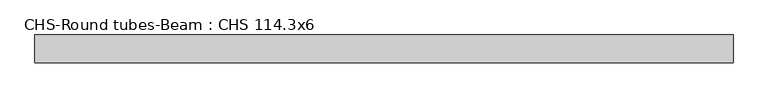
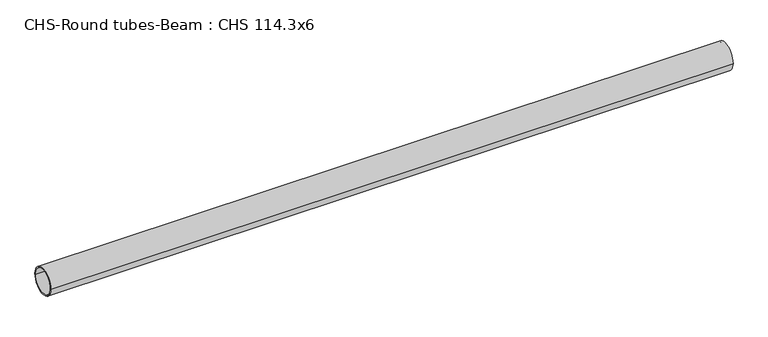
"""IFC4 building model written with IfcOpenShell, lengths in millimetres: beam geometry, CHS-Round tubes-Beam : CHS 114.3x6."""

import ifcopenshell
import ifcopenshell.guid

model = None  # the IFC model being written
_history = None  # IfcOwnerHistory: only IFC2X3 demands one
_inside = {}  # id of a spatial element -> (the spatial element, [elements in it])
_under = {}  # id of a project, library or spatial element -> (it, [spatial elements below it])
_declared = {}  # id of a project -> (the project, [libraries it declares])
_typed = {}  # id of a type object -> (the type object, [elements of that type])
_made_of = {}  # id of a material, layer set ... -> (it, [elements and type objects made of it])


def new_model(schema):
    """Start an empty IFC model of exactly this schema.

    Asked for "IFC4X3", IfcOpenShell would pick the latest addendum, in which some entities
    have other attributes; the version numbers below select the first issue.
    IFC2X3 requires an IfcOwnerHistory on every rooted entity: one is made here for all.
    """
    global model, _history
    if schema == "IFC4X3":
        model = ifcopenshell.file(schema_version=(4, 3, 0, 0))
    else:
        model = ifcopenshell.file(schema=schema)
    _inside.clear()
    _under.clear()
    _declared.clear()
    _typed.clear()
    _made_of.clear()
    _history = None
    if model.schema == "IFC2X3":
        org = make("IfcOrganization", Name="unknown")
        user = make(
            "IfcPersonAndOrganization",
            ThePerson=make("IfcPerson", FamilyName="unknown"),
            TheOrganization=org,
        )
        app = make(
            "IfcApplication",
            ApplicationDeveloper=org,
            Version="unknown",
            ApplicationFullName="unknown",
            ApplicationIdentifier="unknown",
        )
        _history = make(
            "IfcOwnerHistory",
            OwningUser=user,
            OwningApplication=app,
            ChangeAction="ADDED",
            CreationDate=0,
        )
    return model


def make(cls, **values):
    """One entity of the class cls with the attributes given. An attribute that is None is left unset."""
    return model.create_entity(
        cls, **{name: value for name, value in values.items() if value is not None}
    )


def rooted(cls, **values):
    """An entity with a GlobalId (a new one), such as an element, a storey or a relation."""
    return make(cls, GlobalId=ifcopenshell.guid.new(), OwnerHistory=_history, **values)


def si_unit(unit_type, name, prefix=None):
    """IfcSIUnit, for example si_unit("LENGTHUNIT", "METRE", prefix="MILLI")."""
    return make("IfcSIUnit", UnitType=unit_type, Prefix=prefix, Name=name)


def assignment(units):
    """IfcUnitAssignment: the units of a project."""
    return None if units is None else make("IfcUnitAssignment", Units=units)


def point(xyz):
    """IfcCartesianPoint."""
    return None if xyz is None else make("IfcCartesianPoint", Coordinates=xyz)


def direction(xyz):
    """IfcDirection."""
    return None if xyz is None else make("IfcDirection", DirectionRatios=xyz)


def frame(location, z_axis=None, x_axis=None):
    """IfcAxis2Placement3D, a coordinate frame: its origin and axes. An axis left out is left unset."""
    return make(
        "IfcAxis2Placement3D",
        Location=point(location),
        Axis=direction(z_axis),
        RefDirection=direction(x_axis),
    )


def frame_2d(location, x_axis=None):
    """IfcAxis2Placement2D, a coordinate frame in the plane: its origin and x axis."""
    return make(
        "IfcAxis2Placement2D", Location=point(location), RefDirection=direction(x_axis)
    )


def origin():
    """The frame at (0, 0, 0) with its axes left unset."""
    return frame((0.0, 0.0, 0.0))


def origin_2d():
    """The frame at (0, 0) in the plane with its x axis left unset."""
    return frame_2d((0.0, 0.0))


def place(relative_to, where):
    """IfcLocalPlacement: puts the frame where relative to a parent placement (None: the world)."""
    return make(
        "IfcLocalPlacement", PlacementRelTo=relative_to, RelativePlacement=where
    )


def context(
    kind, dimensions, precision=None, world=None, true_north=None, identifier=None
):
    """IfcGeometricRepresentationContext, for example the 3D "Model" context."""
    return make(
        "IfcGeometricRepresentationContext",
        ContextIdentifier=identifier,
        ContextType=kind,
        CoordinateSpaceDimension=dimensions,
        Precision=precision,
        WorldCoordinateSystem=world,
        TrueNorth=true_north,
    )


def project(units=None, contexts=None):
    """IfcProject with its units and contexts."""
    return rooted(
        "IfcProject",
        Name="project",
        RepresentationContexts=contexts,
        UnitsInContext=assignment(units),
    )


def spatial(cls, under=None, at=None, **own):
    """A site, building, storey or space (cls), placed at a placement, below another one or the project."""
    s = rooted(cls, ObjectPlacement=at, **own)
    if under is not None:
        _under.setdefault(under.id(), (under, []))[1].append(s)
    return s


def circle_curve(where, radius):
    """IfcCircle in the frame where."""
    return make("IfcCircle", Position=where, Radius=radius)


def trimmed(basis, trim1, trim2, sense, master):
    """IfcTrimmedCurve: the piece of a basis curve between two trims."""
    return make(
        "IfcTrimmedCurve",
        BasisCurve=basis,
        Trim1=trim1,
        Trim2=trim2,
        SenseAgreement=sense,
        MasterRepresentation=master,
    )


def segment(curve, same_sense, transition):
    """IfcCompositeCurveSegment."""
    return make(
        "IfcCompositeCurveSegment",
        Transition=transition,
        SameSense=same_sense,
        ParentCurve=curve,
    )


def composite_curve(segments, self_intersect=None):
    """IfcCompositeCurve: segments joined end to end."""
    return make("IfcCompositeCurve", Segments=segments, SelfIntersect=self_intersect)


def outline(outer, holes=None, kind="AREA"):
    """IfcArbitraryClosedProfileDef: a profile drawn as a closed curve; with holes, ...WithVoids."""
    if holes is None:
        return make("IfcArbitraryClosedProfileDef", ProfileType=kind, OuterCurve=outer)
    return make(
        "IfcArbitraryProfileDefWithVoids",
        ProfileType=kind,
        OuterCurve=outer,
        InnerCurves=holes,
    )


def extrude(swept, where, along, depth):
    """IfcExtrudedAreaSolid: the profile swept, set in the frame where, extruded along a direction by depth."""
    return make(
        "IfcExtrudedAreaSolid",
        SweptArea=swept,
        Position=where,
        ExtrudedDirection=direction(along),
        Depth=depth,
    )


def shape(context_of_items, identifier, shape_type, items):
    """IfcShapeRepresentation: the items that make up one representation, for example the "Body"."""
    return make(
        "IfcShapeRepresentation",
        ContextOfItems=context_of_items,
        RepresentationIdentifier=identifier,
        RepresentationType=shape_type,
        Items=items,
    )


def source(mapping_origin, context_of_items, identifier, shape_type, items):
    """IfcRepresentationMap: a shape defined once, which mapped items show again and again."""
    return make(
        "IfcRepresentationMap",
        MappingOrigin=mapping_origin,
        MappedRepresentation=shape(context_of_items, identifier, shape_type, items),
    )


def transform(
    local_origin,
    x_axis=None,
    y_axis=None,
    z_axis=None,
    scale=None,
    scale2=None,
    scale3=None,
    uniform=True,
):
    """IfcCartesianTransformationOperator3D, or its non-uniform kind. x_axis, y_axis, z_axis: its Axis1, 2, 3."""
    if uniform:
        return make(
            "IfcCartesianTransformationOperator3D",
            Axis1=direction(x_axis),
            Axis2=direction(y_axis),
            LocalOrigin=point(local_origin),
            Scale=scale,
            Axis3=direction(z_axis),
        )
    return make(
        "IfcCartesianTransformationOperator3DnonUniform",
        Axis1=direction(x_axis),
        Axis2=direction(y_axis),
        LocalOrigin=point(local_origin),
        Scale=scale,
        Axis3=direction(z_axis),
        Scale2=scale2,
        Scale3=scale3,
    )


def mapped(mapping_source, mapping_target):
    """IfcMappedItem: shows the shape of a source again, moved by a transform."""
    return make(
        "IfcMappedItem", MappingSource=mapping_source, MappingTarget=mapping_target
    )


def made_of(thing, what):
    """Note that an element or type object is made of a material, layer set ...; save() writes the relation."""
    if what is not None:
        _made_of.setdefault(what.id(), (what, []))[1].append(thing)
    return thing


def element(
    cls,
    number,
    at=None,
    inside=None,
    cuts=None,
    type_object=None,
    material=None,
    context=None,
    identifier="Body",
    shape_type=None,
    held_by="IfcProductDefinitionShape",
    body=None,
    shapes=None,
    **own,
):
    """One element of the class cls, such as IfcWall. Its Tag is "e" and its number.

    at: its placement. inside: the storey or other place that contains it. cuts: it is an
    opening in that element (IfcRelVoidsElement). A single representation is given by context,
    identifier, shape_type and body (its items); several are given by shapes. held_by: the class
    of the entity that holds the representations. save() writes the other relations.
    """
    e = rooted(cls, Tag="e%d" % number, ObjectPlacement=at, **own)
    if body is not None:
        shapes = [shape(context, identifier, shape_type, body)]
    if shapes is not None:
        e.Representation = make(held_by, Representations=shapes)
    if inside is not None:
        _inside.setdefault(inside.id(), (inside, []))[1].append(e)
    if cuts is not None:
        rooted(
            "IfcRelVoidsElement", RelatingBuildingElement=cuts, RelatedOpeningElement=e
        )
    if type_object is not None:
        _typed.setdefault(type_object.id(), (type_object, []))[1].append(e)
    return made_of(e, material)


def aggregate(whole, parts):
    """IfcRelAggregates: a whole, such as a stair, and the parts it consists of."""
    return rooted("IfcRelAggregates", RelatingObject=whole, RelatedObjects=parts)


def save(model, path):
    """Write the relations noted so far, then the file.

    IfcRelAggregates (storeys below a building ...), IfcRelContainedInSpatialStructure (elements
    in a storey), IfcRelDefinesByType, IfcRelAssociatesMaterial and IfcRelDeclares: one each for
    every whole, place, type object, material and project.
    """
    for whole, parts in _under.values():
        aggregate(whole, parts)
    for where, things in _inside.values():
        rooted(
            "IfcRelContainedInSpatialStructure",
            RelatedElements=things,
            RelatingStructure=where,
        )
    for kind, things in _typed.values():
        rooted("IfcRelDefinesByType", RelatedObjects=things, RelatingType=kind)
    for what, things in _made_of.values():
        rooted("IfcRelAssociatesMaterial", RelatedObjects=things, RelatingMaterial=what)
    for by, libraries in _declared.values():
        rooted("IfcRelDeclares", RelatingContext=by, RelatedDefinitions=libraries)
    model.write(path)


def chs_round_tubes_beam_chs_114_3x6_66a5ce41(model_context):
    return source(origin(), model_context, "Body", "SweptSolid", [
        extrude(outline(composite_curve([segment(trimmed(circle_curve(origin_2d(), 57.15), [point((57.15, 0.0))], [point((-57.15, 0.0))], False, "CARTESIAN"), True, "CONTINUOUS"), segment(trimmed(circle_curve(origin_2d(), 57.15), [point((-57.15, 0.0))], [point((57.15, 0.0))], False, "CARTESIAN"), True, "CONTINUOUS")], self_intersect=False), holes=[composite_curve([segment(trimmed(circle_curve(origin_2d(), 51.15), [point((51.15, 0.0))], [point((-51.15, 0.0))], True, "CARTESIAN"), True, "CONTINUOUS"), segment(trimmed(circle_curve(origin_2d(), 51.15), [point((-51.15, 0.0))], [point((51.15, 0.0))], True, "CARTESIAN"), True, "CONTINUOUS")], self_intersect=False)]), frame((-1423.7343636, 0.0, 0.0), z_axis=(1.0, 0.0, 0.0), x_axis=(0.0, 1.0, 0.0)), (0.0, 0.0, 1.0), 2846.3944653),
    ])


if __name__ == "__main__":
    model = new_model("IFC4")
    model_context = context("Model", 3, world=origin())
    ifc_project = project(units=[si_unit("LENGTHUNIT", "METRE", prefix="MILLI")], contexts=[model_context])
    site = spatial("IfcSite", under=ifc_project)
    building = spatial("IfcBuilding", under=site)
    placement = place(None, origin())
    chs_round_tubes_beam_chs_114_3x6_shape = chs_round_tubes_beam_chs_114_3x6_66a5ce41(model_context)
    element("IfcBeam", 1, ObjectType="CHS-Round tubes-Beam : CHS 114.3x6", at=placement, inside=building, context=model_context, shape_type="MappedRepresentation", body=[
        mapped(chs_round_tubes_beam_chs_114_3x6_shape, transform((0.0, 0.0, 0.0), x_axis=(1.0, 0.0, 0.0), y_axis=(0.0, 1.0, 0.0), z_axis=(0.0, 0.0, 1.0))),
    ])
    save(model, "model.ifc")
